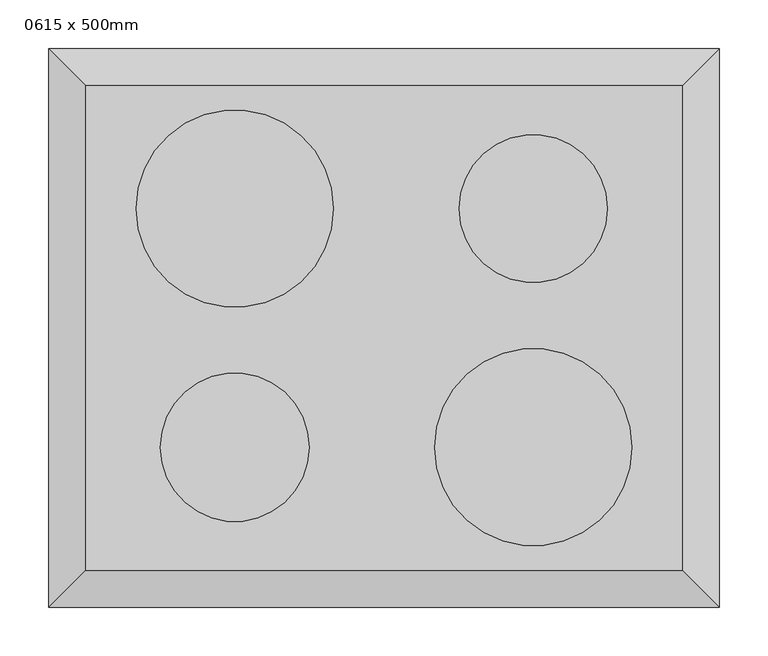
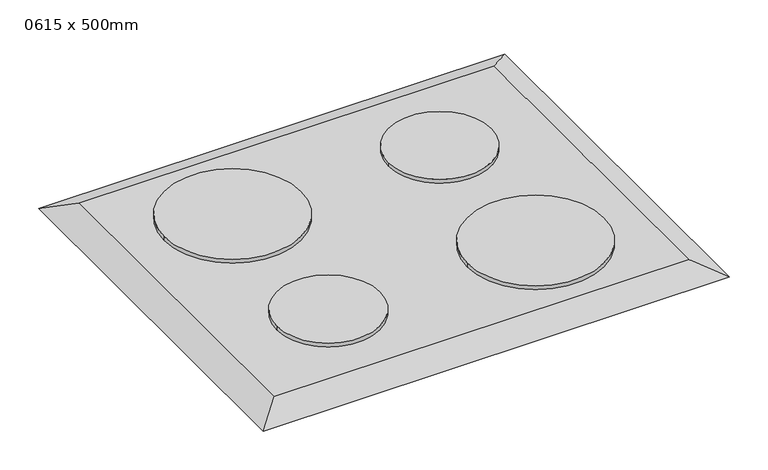
"""IFC4 building model written with IfcOpenShell, lengths in millimetres: proxy geometry, 0615 x 500mm."""

from ifc_helpers import new_model, si_unit, point, frame, frame_2d, origin, place, context, project, spatial, circle_curve, trimmed, segment, composite_curve, outline, extrude, faceted_brep, source, transform, mapped, element, save


def proxy_0615_x_500mm_c91639ce(model_context):
    return source(origin(), model_context, "Body", "SolidModel", [
        faceted_brep([(307.5, -250.0, 918.0), (307.5, 250.0, 918.0), (-307.5, 250.0, 918.0), (-307.5, -250.0, 918.0), (345.6, -288.1, 900.0), (-345.6, -288.1, 900.0), (-345.6, 288.1, 900.0), (345.6, 288.1, 900.0)], [[[0, 1, 2, 3]], [[4, 5, 6, 7]], [[4, 0, 3, 5]], [[5, 3, 2, 6]], [[6, 2, 1, 7]], [[7, 1, 0, 4]]]),
        extrude(outline(composite_curve([segment(trimmed(circle_curve(frame_2d((153.75, 123.0)), 76.2), [point((77.55, 123.0))], [point((229.95, 123.0))], False, "CARTESIAN"), True, "CONTINUOUS"), segment(trimmed(circle_curve(frame_2d((153.75, 123.0)), 76.2), [point((229.95, 123.0))], [point((77.55, 123.0))], False, "CARTESIAN"), True, "CONTINUOUS")], self_intersect=False)), frame((0.0, 0.0, 918.0), z_axis=(0.0, 0.0, 1.0), x_axis=(1.0, 0.0, 0.0)), (0.0, 0.0, 1.0), 6.35),
        extrude(outline(composite_curve([segment(trimmed(circle_curve(frame_2d((153.75, -123.0)), 101.6), [point((52.15, -123.0))], [point((255.35, -123.0))], False, "CARTESIAN"), True, "CONTINUOUS"), segment(trimmed(circle_curve(frame_2d((153.75, -123.0)), 101.6), [point((255.35, -123.0))], [point((52.15, -123.0))], False, "CARTESIAN"), True, "CONTINUOUS")], self_intersect=False)), frame((0.0, 0.0, 918.0), z_axis=(0.0, 0.0, 1.0), x_axis=(1.0, 0.0, 0.0)), (0.0, 0.0, 1.0), 6.35),
        extrude(outline(composite_curve([segment(trimmed(circle_curve(frame_2d((-153.75, -123.0)), 76.59), [point((-230.34, -123.0))], [point((-77.16, -123.0))], False, "CARTESIAN"), True, "CONTINUOUS"), segment(trimmed(circle_curve(frame_2d((-153.75, -123.0)), 76.59), [point((-77.16, -123.0))], [point((-230.34, -123.0))], False, "CARTESIAN"), True, "CONTINUOUS")], self_intersect=False)), frame((0.0, 0.0, 918.0), z_axis=(0.0, 0.0, 1.0), x_axis=(1.0, 0.0, 0.0)), (0.0, 0.0, 1.0), 6.35),
        extrude(outline(composite_curve([segment(trimmed(circle_curve(frame_2d((-153.75, 123.0)), 101.6), [point((-52.15, 123.0))], [point((-255.35, 123.0))], False, "CARTESIAN"), True, "CONTINUOUS"), segment(trimmed(circle_curve(frame_2d((-153.75, 123.0)), 101.6), [point((-255.35, 123.0))], [point((-52.15, 123.0))], False, "CARTESIAN"), True, "CONTINUOUS")], self_intersect=False)), frame((0.0, 0.0, 918.0), z_axis=(0.0, 0.0, 1.0), x_axis=(1.0, 0.0, 0.0)), (0.0, 0.0, 1.0), 6.35),
    ])


if __name__ == "__main__":
    model = new_model("IFC4")
    model_context = context("Model", 3, world=origin())
    ifc_project = project(units=[si_unit("LENGTHUNIT", "METRE", prefix="MILLI")], contexts=[model_context])
    site = spatial("IfcSite", under=ifc_project)
    building = spatial("IfcBuilding", under=site)
    placement = place(None, origin())
    proxy_0615_x_500mm_shape = proxy_0615_x_500mm_c91639ce(model_context)
    element("IfcBuildingElementProxy", 1, Name="0615 x 500mm", ObjectType="0615 x 500mm", at=placement, inside=building, context=model_context, shape_type="MappedRepresentation", body=[
        mapped(proxy_0615_x_500mm_shape, transform((0.0, 0.0, 0.0), x_axis=(1.0, 0.0, 0.0), y_axis=(0.0, 1.0, 0.0), z_axis=(0.0, 0.0, 1.0))),
    ])
    save(model, "model.ifc")
